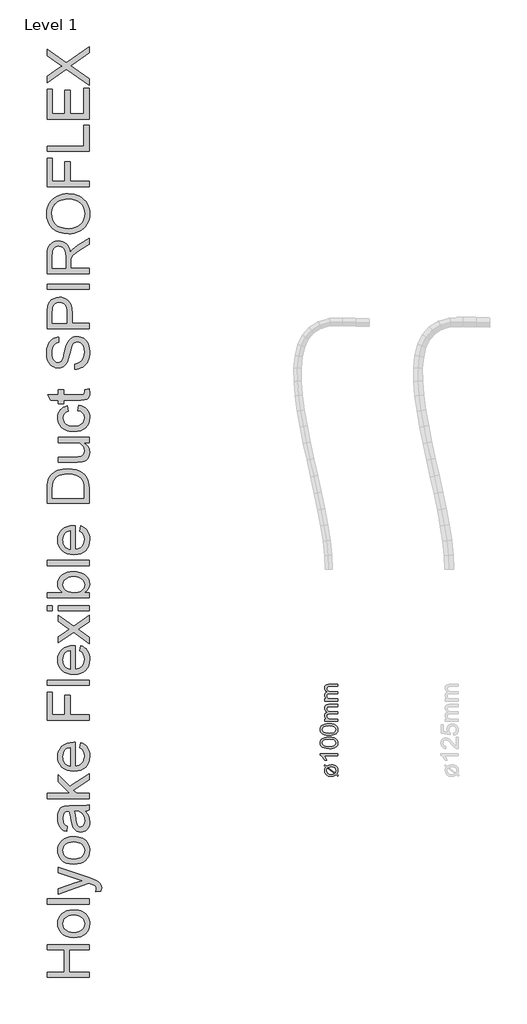
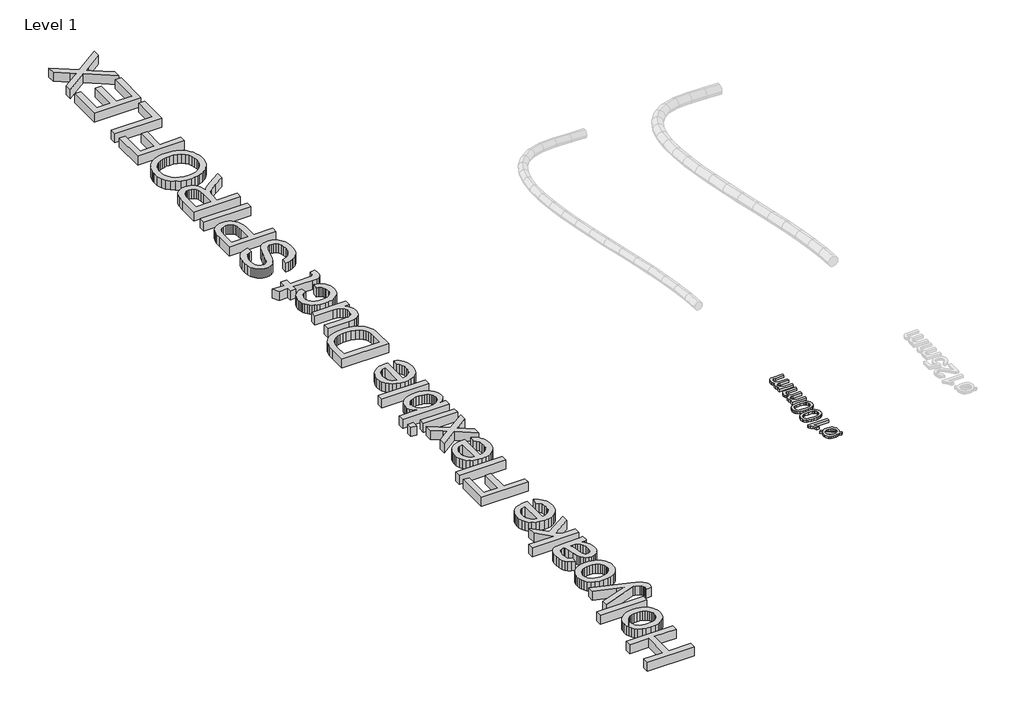
# One storey, part 13 of 15: 2 proxies.
"""IFC4 building model written with IfcOpenShell, lengths in millimetres."""

from ifc_helpers import new_model, si_unit, origin, origin_with_axes, place, context, project, spatial, polyline, outline, extrude, element, save

model = new_model("IFC4")

# Units and contexts
model_context = context("Model", 3, world=origin())
ifc_project = project(units=[si_unit("LENGTHUNIT", "METRE", prefix="MILLI")], contexts=[model_context])

# Site, building, storey
site = spatial("IfcSite", under=ifc_project)
building = spatial("IfcBuilding", under=site)
storey = spatial("IfcBuildingStorey", under=building, Name="Level 1", Elevation=0.0)

# Proxies
placement = place(None, origin())
element("IfcBuildingElementProxy", 1, Name="250mm", ObjectType="250mm", at=placement, inside=storey, context=model_context, shape_type="SweptSolid", body=[
    extrude(outline(polyline([(2243.3524153, 3032.5908228), (2219.0735691, 3050.9802459), (2230.2514537, 3065.6437074), (2255.6721268, 3046.3528421), (2281.934146, 3061.8576498), (2321.1168383, 3067.4465921), (2344.6595066, 3065.7000476), (2364.8668383, 3060.4604142), (2381.7388335, 3051.7276918), (2395.2754922, 3039.5018805), (2409.5182807, 3014.5169046), (2414.2658768, 2984.8744767), (2410.2244105, 2960.1298853), (2398.1000114, 2938.4201498), (2421.9581845, 2920.3312074), (2411.0206845, 2905.4273613), (2388.2442422, 2922.7350536), (2365.0471268, 2908.7326498), (2345.2454441, 2903.7296449), (2322.9798191, 2902.0619767), (2299.093476, 2903.5794046), (2278.7565619, 2908.1316882), (2261.9690769, 2915.7188276), (2248.731021, 2926.3408228), (2231.536009, 2952.7380584), (2225.8043383, 2983.3720728), (2230.0411172, 3008.3119767), (2243.3524153, 3032.5908228)]), holes=[polyline([(2265.2274153, 3016.0042844), (2258.7370307, 3000.619669), (2256.5735691, 2984.5138998), (2260.7277158, 2964.306568), (2273.1901557, 2947.6749574), (2293.8707446, 2936.5421449), (2322.6793383, 2932.8312074), (2345.0952037, 2934.9796449), (2363.544723, 2941.4249574), (2265.2274153, 3016.0042844)]), polyline([(2280.6120307, 3027.4826498), (2378.388473, 2953.3239959), (2383.496646, 2982.8913036), (2379.4326436, 3004.2254382), (2367.2406364, 3021.4730344), (2346.9356484, 3032.8762796), (2318.5327037, 3036.6773613), (2297.3187614, 3034.3336113), (2280.6120307, 3027.4826498)])]), origin_with_axes(), (0.0, 0.0, 1.0), 30.0),
    extrude(outline(polyline([(2410.419723, 3221.2927459), (2410.419723, 3190.5235151), (2218.5927999, 3190.5235151), (2239.356021, 3161.3768805), (2254.8908768, 3128.9850536), (2225.8043383, 3128.9850536), (2212.6583047, 3153.1512195), (2197.0182807, 3174.0872171), (2180.3866701, 3190.5911233), (2164.2658768, 3201.4610151), (2164.2658768, 3221.2927459), (2410.419723, 3221.2927459)])), origin_with_axes(), (0.0, 0.0, 1.0), 30.0),
    extrude(outline(polyline([(2289.325973, 3294.369669), (2249.9254321, 3296.6307868), (2218.5026557, 3303.4141401), (2194.5768744, 3314.6521209), (2177.6673191, 3330.2771209), (2167.6162374, 3350.4018204), (2164.2658768, 3375.1388998), (2166.2490499, 3394.0992363), (2172.1985691, 3411.0763998), (2181.8815619, 3425.2741161), (2195.0651557, 3435.8961113), (2231.4834249, 3450.3191882), (2256.6862494, 3454.5108949), (2289.325973, 3455.9081305), (2328.5011533, 3453.6695488), (2359.8488095, 3446.9538036), (2383.7971268, 3435.783431), (2400.7742903, 3420.1809671), (2410.8929802, 3400.0111954), (2414.2658768, 3375.1388998), (2412.8010331, 3358.1917844), (2408.4065018, 3343.1677459), (2401.0822831, 3330.0667844), (2390.8283768, 3318.8888998), (2372.2924694, 3308.1617363), (2349.1967662, 3300.4994767), (2321.5412674, 3295.9021209), (2289.325973, 3294.369669)]), holes=[polyline([(2289.2658768, 3325.1388998), (2337.6658167, 3328.744669), (2354.2204291, 3333.2518805), (2365.6781364, 3339.5619767), (2379.0420186, 3355.6677459), (2383.496646, 3375.1388998), (2379.0269946, 3394.6100536), (2365.6180403, 3410.7158228), (2354.1415529, 3417.025919), (2337.5906965, 3421.5331305), (2289.2658768, 3425.1388998), (2241.9551797, 3421.6533228), (2225.4550295, 3417.2963517), (2213.7250114, 3411.1965921), (2199.7075835, 3395.1208709), (2195.0351076, 3374.7783228), (2199.1516941, 3355.5175055), (2211.5014537, 3340.0427459), (2224.2718864, 3333.5223132), (2241.4894345, 3328.8648613), (2289.2658768, 3325.1388998)])]), origin_with_axes(), (0.0, 0.0, 1.0), 30.0),
    extrude(outline(polyline([(2289.325973, 3482.8312074), (2249.9254321, 3485.0923252), (2218.5026557, 3491.8756786), (2194.5768744, 3503.1136594), (2177.6673191, 3518.7386594), (2167.6162374, 3538.8633589), (2164.2658768, 3563.6004382), (2166.2490499, 3582.5607748), (2172.1985691, 3599.5379382), (2181.8815619, 3613.7356546), (2195.0651557, 3624.3576498), (2231.4834249, 3638.7807267), (2256.6862494, 3642.9724334), (2289.325973, 3644.369669), (2328.5011533, 3642.1310873), (2359.8488095, 3635.4153421), (2383.7971268, 3624.2449695), (2400.7742903, 3608.6425055), (2410.8929802, 3588.4727339), (2414.2658768, 3563.6004382), (2412.8010331, 3546.6533228), (2408.4065018, 3531.6292844), (2401.0822831, 3518.5283228), (2390.8283768, 3507.3504382), (2372.2924694, 3496.6232748), (2349.1967662, 3488.9610151), (2321.5412674, 3484.3636594), (2289.325973, 3482.8312074)]), holes=[polyline([(2289.2658768, 3513.6004382), (2337.6658167, 3517.2062074), (2354.2204291, 3521.713419), (2365.6781364, 3528.0235151), (2379.0420186, 3544.1292844), (2383.496646, 3563.6004382), (2379.0269946, 3583.0715921), (2365.6180403, 3599.1773613), (2354.1415529, 3605.4874574), (2337.5906965, 3609.994669), (2289.2658768, 3613.6004382), (2241.9551797, 3610.1148613), (2225.4550295, 3605.7578901), (2213.7250114, 3599.6581305), (2199.7075835, 3583.5824094), (2195.0351076, 3563.2398613), (2199.1516941, 3543.979044), (2211.5014537, 3528.5042844), (2224.2718864, 3521.9838517), (2241.4894345, 3517.3263998), (2289.2658768, 3513.6004382)])]), origin_with_axes(), (0.0, 0.0, 1.0), 30.0),
    extrude(outline(polyline([(2410.419723, 3678.9850536), (2229.6504922, 3678.9850536), (2229.6504922, 3709.7542844), (2259.3980883, 3709.7542844), (2245.7337254, 3719.0090921), (2235.029098, 3730.9081305), (2228.1105283, 3745.0457507), (2225.8043383, 3761.0163036), (2228.1556004, 3778.1286834), (2235.2093864, 3791.8456305), (2246.4999513, 3802.0920248), (2261.5615499, 3808.7927459), (2245.9177698, 3820.0081906), (2234.7436412, 3832.8011594), (2228.0391641, 3847.1716522), (2225.8043383, 3863.119669), (2229.5227879, 3886.2491762), (2240.6781364, 3903.354044), (2259.5708648, 3913.923455), (2286.5014537, 3917.4465921), (2410.419723, 3917.4465921), (2410.419723, 3886.6773613), (2299.7226076, 3886.6773613), (2274.0315018, 3883.822794), (2261.3812614, 3873.4862555), (2256.5735691, 3855.9081305), (2259.653497, 3839.2389599), (2268.8932807, 3825.6497171), (2284.9239297, 3816.6127579), (2308.3764537, 3813.6004382), (2410.419723, 3813.6004382), (2410.419723, 3782.8312074), (2296.2971268, 3782.8312074), (2278.8992903, 3781.0508589), (2266.4894345, 3775.7098132), (2259.0525355, 3766.3122772), (2256.5735691, 3752.3624574), (2258.2262133, 3740.5084911), (2263.184146, 3729.5860151), (2271.3271749, 3720.5715921), (2282.5351076, 3714.4417844), (2319.2538576, 3709.7542844), (2410.419723, 3709.7542844), (2410.419723, 3678.9850536)])), origin_with_axes(), (0.0, 0.0, 1.0), 30.0),
    extrude(outline(polyline([(2410.419723, 3963.6004382), (2229.6504922, 3963.6004382), (2229.6504922, 3994.369669), (2259.3980883, 3994.369669), (2245.7337254, 4003.6244767), (2235.029098, 4015.5235151), (2228.1105283, 4029.6611353), (2225.8043383, 4045.6316882), (2228.1556004, 4062.744068), (2235.2093864, 4076.4610151), (2246.4999513, 4086.7074094), (2261.5615499, 4093.4081305), (2245.9177698, 4104.6235752), (2234.7436412, 4117.416544), (2228.0391641, 4131.7870368), (2225.8043383, 4147.7350536), (2229.5227879, 4170.8645608), (2240.6781364, 4187.9694286), (2259.5708648, 4198.5388397), (2286.5014537, 4202.0619767), (2410.419723, 4202.0619767), (2410.419723, 4171.2927459), (2299.7226076, 4171.2927459), (2274.0315018, 4168.4381786), (2261.3812614, 4158.1016401), (2256.5735691, 4140.5235151), (2259.653497, 4123.8543445), (2268.8932807, 4110.2651017), (2284.9239297, 4101.2281425), (2308.3764537, 4098.2158228), (2410.419723, 4098.2158228), (2410.419723, 4067.4465921), (2296.2971268, 4067.4465921), (2278.8992903, 4065.6662435), (2266.4894345, 4060.3251978), (2259.0525355, 4050.9276618), (2256.5735691, 4036.9778421), (2258.2262133, 4025.1238757), (2263.184146, 4014.2013998), (2271.3271749, 4005.1869767), (2282.5351076, 3999.057169), (2319.2538576, 3994.369669), (2410.419723, 3994.369669), (2410.419723, 3963.6004382)])), origin_with_axes(), (0.0, 0.0, 1.0), 30.0),
])
element("IfcBuildingElementProxy", 2, Name="600mm", ObjectType="600mm", at=placement, inside=storey, context=model_context, shape_type="SweptSolid", body=[
    extrude(outline(polyline([(-1094.1692416, 67.8141205), (-1684.9384723, 67.8141205), (-1684.9384723, 141.6602743), (-1444.9384723, 141.6602743), (-1444.9384723, 455.5064282), (-1684.9384723, 455.5064282), (-1684.9384723, 529.352582), (-1094.1692416, 529.352582), (-1094.1692416, 455.5064282), (-1371.0923185, 455.5064282), (-1371.0923185, 141.6602743), (-1094.1692416, 141.6602743), (-1094.1692416, 67.8141205)])), origin_with_axes(), (0.0, 0.0, 1.0), 120.0),
    extrude(outline(polyline([(-1311.0923185, 630.8910436), (-1367.2792175, 634.884433), (-1415.6956839, 646.8646013), (-1456.3417175, 666.8315484), (-1489.2173185, 694.7852743), (-1510.2299387, 722.9283032), (-1525.2389531, 753.9920051), (-1534.2443618, 787.9763801), (-1537.2461646, 824.8814282), (-1533.5908161, 865.6221133), (-1522.6247704, 902.4595532), (-1504.3480276, 935.3937479), (-1478.7605877, 964.4246974), (-1446.7278353, 988.1191085), (-1409.115155, 1005.0436878), (-1365.9225469, 1015.1984354), (-1317.1500108, 1018.5833513), (-1277.6217656, 1017.086957), (-1242.5466454, 1012.5977743), (-1211.9246502, 1005.1158032), (-1185.75578, 994.6410436), (-1163.1521142, 981.3042046), (-1143.2257319, 965.2359955), (-1125.9766334, 946.4364162), (-1111.4048185, 924.9054666), (-1099.825792, 901.4814883), (-1091.5550589, 877.0028224), (-1086.592619, 851.469469), (-1084.9384723, 824.8814282), (-1088.5802993, 783.5457912), (-1099.50578, 746.3658032), (-1117.7149146, 713.3414642), (-1143.2077031, 684.4727743), (-1175.5514531, 661.0307671), (-1214.3134723, 644.2864763), (-1259.4937608, 634.2399017), (-1311.0923185, 630.8910436)]), holes=[polyline([(-1311.2365493, 704.7371974), (-1275.4177392, 706.8736157), (-1244.4036166, 713.2828705), (-1218.1941815, 723.9649618), (-1196.7894339, 738.9198897), (-1180.1623305, 757.1109955), (-1168.2858281, 777.5016205), (-1161.1599267, 800.0917647), (-1158.7846262, 824.8814282), (-1161.1734483, 849.5448897), (-1168.3399146, 872.0448897), (-1180.2840252, 892.3814282), (-1197.00578, 910.5545051), (-1218.6223666, 925.509433), (-1245.2509723, 936.1915243), (-1276.8915973, 942.6007791), (-1313.5442416, 944.7371974), (-1348.2272344, 942.5872575), (-1378.4300589, 936.1374378), (-1404.1527151, 925.3877383), (-1425.3952031, 910.3381589), (-1442.0223065, 892.0974739), (-1453.8988089, 871.774457), (-1461.0247103, 849.3691085), (-1463.4000108, 824.8814282), (-1461.0337247, 800.0917647), (-1453.9348666, 777.5016205), (-1442.1034363, 757.1109955), (-1425.5394339, 738.9198897), (-1404.1977872, 723.9649618), (-1378.0334243, 713.2828705), (-1347.0463449, 706.8736157), (-1311.2365493, 704.7371974)])]), origin_with_axes(), (0.0, 0.0, 1.0), 120.0),
    extrude(outline(polyline([(-1094.1692416, 1101.6602743), (-1684.9384723, 1101.6602743), (-1684.9384723, 1175.5064282), (-1094.1692416, 1175.5064282), (-1094.1692416, 1101.6602743)])), origin_with_axes(), (0.0, 0.0, 1.0), 120.0),
    extrude(outline(polyline([(-928.0153954, 1286.2756589), (-999.1211646, 1277.0448897), (-992.63078, 1314.5448897), (-994.6680396, 1334.2684474), (-1000.7798185, 1349.5929666), (-1010.5334243, 1361.5280628), (-1023.4961646, 1371.0833513), (-1077.8711646, 1391.2756589), (-1095.75578, 1397.0448897), (-1528.0153954, 1240.1218128), (-1528.0153954, 1318.0064282), (-1287.1500108, 1401.227582), (-1190.8038569, 1430.2179666), (-1275.9000108, 1459.2083513), (-1528.0153954, 1544.7371974), (-1528.0153954, 1622.0448897), (-1083.7846262, 1471.0352743), (-987.4384723, 1431.8045051), (-956.6812608, 1411.7203705), (-935.3711646, 1388.9679666), (-922.9312608, 1362.5376782), (-918.7846262, 1331.4198897), (-921.0923185, 1310.0376782), (-928.0153954, 1286.2756589)])), origin_with_axes(), (0.0, 0.0, 1.0), 120.0),
    extrude(outline(polyline([(-1311.0923185, 1664.7371974), (-1367.2792175, 1668.7305868), (-1415.6956839, 1680.7107551), (-1456.3417175, 1700.6777022), (-1489.2173185, 1728.6314282), (-1510.2299387, 1756.774457), (-1525.2389531, 1787.8381589), (-1534.2443618, 1821.8225339), (-1537.2461646, 1858.727582), (-1533.5908161, 1899.4682671), (-1522.6247704, 1936.305707), (-1504.3480276, 1969.2399017), (-1478.7605877, 1998.2708513), (-1446.7278353, 2021.9652623), (-1409.115155, 2038.8898416), (-1365.9225469, 2049.0445892), (-1317.1500108, 2052.4295051), (-1277.6217656, 2050.9331109), (-1242.5466454, 2046.4439282), (-1211.9246502, 2038.961957), (-1185.75578, 2028.4871974), (-1163.1521142, 2015.1503585), (-1143.2257319, 1999.0821493), (-1125.9766334, 1980.28257), (-1111.4048185, 1958.7516205), (-1099.825792, 1935.3276421), (-1091.5550589, 1910.8489763), (-1086.592619, 1885.3156229), (-1084.9384723, 1858.727582), (-1088.5802993, 1817.391945), (-1099.50578, 1780.211957), (-1117.7149146, 1747.1876181), (-1143.2077031, 1718.3189282), (-1175.5514531, 1694.876921), (-1214.3134723, 1678.1326301), (-1259.4937608, 1668.0860556), (-1311.0923185, 1664.7371974)]), holes=[polyline([(-1311.2365493, 1738.5833513), (-1275.4177392, 1740.7197695), (-1244.4036166, 1747.1290243), (-1218.1941815, 1757.8111157), (-1196.7894339, 1772.7660436), (-1180.1623305, 1790.9571493), (-1168.2858281, 1811.3477743), (-1161.1599267, 1833.9379186), (-1158.7846262, 1858.727582), (-1161.1734483, 1883.3910436), (-1168.3399146, 1905.8910436), (-1180.2840252, 1926.227582), (-1197.00578, 1944.4006589), (-1218.6223666, 1959.3555868), (-1245.2509723, 1970.0376782), (-1276.8915973, 1976.446933), (-1313.5442416, 1978.5833513), (-1348.2272344, 1976.4334114), (-1378.4300589, 1969.9835916), (-1404.1527151, 1959.2338921), (-1425.3952031, 1944.1843128), (-1442.0223065, 1925.9436277), (-1453.8988089, 1905.6206109), (-1461.0247103, 1883.2152623), (-1463.4000108, 1858.727582), (-1461.0337247, 1833.9379186), (-1453.9348666, 1811.3477743), (-1442.1034363, 1790.9571493), (-1425.5394339, 1772.7660436), (-1404.1977872, 1757.8111157), (-1378.0334243, 1747.1290243), (-1347.0463449, 1740.7197695), (-1311.2365493, 1738.5833513)])]), origin_with_axes(), (0.0, 0.0, 1.0), 120.0),
    extrude(outline(polyline([(-1149.5538569, 2412.4295051), (-1119.3014531, 2377.1470532), (-1099.50578, 2340.8189282), (-1088.5802993, 2302.6158032), (-1084.9384723, 2261.7083513), (-1087.1289771, 2228.8282431), (-1093.7004916, 2199.9956109), (-1104.6530156, 2175.2104546), (-1119.9865493, 2154.4727743), (-1138.7275348, 2138.0980748), (-1159.9024146, 2126.4018609), (-1183.5111887, 2119.3841325), (-1209.5538569, 2117.0448897), (-1240.1668377, 2120.5785436), (-1267.9673185, 2131.1795051), (-1291.7653954, 2147.5316686), (-1310.3711646, 2168.3189282), (-1324.4336646, 2192.7480147), (-1334.6019339, 2220.0256589), (-1345.7077031, 2283.9198897), (-1357.3903954, 2359.4246974), (-1371.0923185, 2411.9968128), (-1387.5346262, 2412.4295051), (-1420.4913569, 2407.3453705), (-1432.6968858, 2400.9902022), (-1442.0538569, 2392.0929666), (-1451.3927993, 2376.7143609), (-1458.0634723, 2357.9823897), (-1463.4000108, 2310.4583513), (-1459.8483281, 2266.4679666), (-1449.19328, 2235.7468128), (-1429.4877512, 2214.7972936), (-1398.7846262, 2200.1218128), (-1408.0153954, 2126.2756589), (-1448.4000108, 2139.0941686), (-1480.13078, 2158.2227743), (-1504.3976069, 2185.446332), (-1522.3903954, 2222.5496974), (-1533.5322223, 2267.9283032), (-1537.2461646, 2319.977582), (-1533.9649146, 2369.899457), (-1524.1211646, 2409.4727743), (-1509.3194819, 2439.3105147), (-1491.1644339, 2460.0256589), (-1468.7185204, 2473.7636397), (-1441.0442416, 2482.6698897), (-1376.4288569, 2486.2756589), (-1284.5538569, 2486.2756589), (-1156.2605877, 2490.0256589), (-1124.5478473, 2495.5785436), (-1094.1692416, 2504.7371974), (-1094.1692416, 2430.8910436), (-1119.8423185, 2419.0641205), (-1149.5538569, 2412.4295051)]), holes=[polyline([(-1297.2461646, 2412.4295051), (-1284.9504916, 2362.8141205), (-1274.6019339, 2293.2948897), (-1262.63078, 2229.7612359), (-1254.4456839, 2213.2287839), (-1243.1596262, 2200.9871974), (-1229.6379916, 2193.415082), (-1214.7461646, 2190.8910436), (-1192.78703, 2196.3898416), (-1174.7942416, 2212.8862359), (-1162.78703, 2240.0196493), (-1158.7846262, 2277.4295051), (-1163.2016935, 2317.0929666), (-1176.4528954, 2352.1410436), (-1195.9781358, 2380.5545051), (-1219.2173185, 2400.3141205), (-1243.1596262, 2409.0761397), (-1276.3327031, 2411.9968128), (-1297.2461646, 2412.4295051)])]), origin_with_axes(), (0.0, 0.0, 1.0), 120.0),
    extrude(outline(polyline([(-1094.1692416, 2587.8141205), (-1684.9384723, 2587.8141205), (-1684.9384723, 2661.6602743), (-1367.4865493, 2661.6602743), (-1528.0153954, 2827.2371974), (-1528.0153954, 2929.352582), (-1365.4673185, 2761.7564282), (-1094.1692416, 2938.5833513), (-1094.1692416, 2852.3333513), (-1314.1211646, 2708.8237359), (-1268.4000108, 2661.6602743), (-1094.1692416, 2661.6602743), (-1094.1692416, 2587.8141205)])), origin_with_axes(), (0.0, 0.0, 1.0), 120.0),
    extrude(outline(polyline([(-1223.4000108, 3306.9487359), (-1214.1692416, 3379.352582), (-1185.1698425, 3368.25132), (-1159.6139531, 3353.2648416), (-1137.5015733, 3334.3931469), (-1118.8327031, 3311.6362359), (-1104.0039771, 3285.2284835), (-1093.41203, 3255.4042647), (-1087.0568618, 3222.1635796), (-1084.9384723, 3185.5064282), (-1088.5938209, 3139.6861157), (-1099.5598666, 3098.8597936), (-1117.8366094, 3063.0274618), (-1143.4240493, 3032.1891205), (-1175.6100469, 3007.3904426), (-1213.6824627, 2989.6771013), (-1257.6412969, 2979.0490964), (-1307.4865493, 2975.5064282), (-1359.022006, 2979.0851541), (-1404.4456839, 2989.821332), (-1443.7575829, 3007.7149618), (-1476.9577031, 3032.7660436), (-1503.333905, 3063.5232551), (-1522.1740493, 3098.5352743), (-1533.4781358, 3137.8021013), (-1537.2461646, 3181.3237359), (-1533.4871502, 3223.4436277), (-1522.2101069, 3261.5340724), (-1503.4150348, 3295.59507), (-1477.1019339, 3325.6266205), (-1443.9739291, 3350.141344), (-1404.7341454, 3367.6518609), (-1359.3825829, 3378.158171), (-1307.9192416, 3381.6602743), (-1288.0153954, 3381.227582), (-1288.0153954, 3049.352582), (-1258.5472464, 3053.6299258), (-1232.7389531, 3062.1350339), (-1210.5905156, 3074.8679065), (-1192.1019339, 3091.8285436), (-1177.5256118, 3112.079445), (-1167.1139531, 3134.6831109), (-1160.8669579, 3159.6395412), (-1158.7846262, 3186.9487359), (-1162.6427993, 3226.2516205), (-1174.2173185, 3259.352582), (-1194.2293377, 3286.2516205), (-1223.4000108, 3306.9487359)]), holes=[polyline([(-1361.8615493, 3049.352582), (-1361.8615493, 3307.8141205), (-1400.8759723, 3297.8261397), (-1416.2185204, 3289.2353945), (-1428.7846262, 3278.2468128), (-1443.9288569, 3258.1085916), (-1454.7461646, 3235.1939282), (-1461.2365493, 3209.5028224), (-1463.4000108, 3181.0352743), (-1461.6737488, 3155.0692287), (-1456.4949627, 3131.2576301), (-1447.8636526, 3109.6004787), (-1435.7798185, 3090.0977743), (-1420.8023545, 3073.7320892), (-1403.490155, 3061.4859955), (-1383.8432199, 3053.3594931), (-1361.8615493, 3049.352582)])]), origin_with_axes(), (0.0, 0.0, 1.0), 120.0),
    extrude(outline(polyline([(-1094.1692416, 3695.5064282), (-1684.9384723, 3695.5064282), (-1684.9384723, 4092.4295051), (-1611.0923185, 4092.4295051), (-1611.0923185, 3769.352582), (-1435.7077031, 3769.352582), (-1435.7077031, 4046.2756589), (-1361.8615493, 4046.2756589), (-1361.8615493, 3769.352582), (-1094.1692416, 3769.352582), (-1094.1692416, 3695.5064282)])), origin_with_axes(), (0.0, 0.0, 1.0), 120.0),
    extrude(outline(polyline([(-1094.1692416, 4184.7371974), (-1684.9384723, 4184.7371974), (-1684.9384723, 4258.5833513), (-1094.1692416, 4258.5833513), (-1094.1692416, 4184.7371974)])), origin_with_axes(), (0.0, 0.0, 1.0), 120.0),
    extrude(outline(polyline([(-1223.4000108, 4673.102582), (-1214.1692416, 4745.5064282), (-1185.1698425, 4734.4051662), (-1159.6139531, 4719.4186878), (-1137.5015733, 4700.5469931), (-1118.8327031, 4677.790082), (-1104.0039771, 4651.3823296), (-1093.41203, 4621.5581109), (-1087.0568618, 4588.3174258), (-1084.9384723, 4551.6602743), (-1088.5938209, 4505.8399618), (-1099.5598666, 4465.0136397), (-1117.8366094, 4429.181308), (-1143.4240493, 4398.3429666), (-1175.6100469, 4373.5442888), (-1213.6824627, 4355.8309474), (-1257.6412969, 4345.2029426), (-1307.4865493, 4341.6602743), (-1359.022006, 4345.2390003), (-1404.4456839, 4355.9751782), (-1443.7575829, 4373.868808), (-1476.9577031, 4398.9198897), (-1503.333905, 4429.6771013), (-1522.1740493, 4464.6891205), (-1533.4781358, 4503.9559474), (-1537.2461646, 4547.477582), (-1533.4871502, 4589.5974739), (-1522.2101069, 4627.6879186), (-1503.4150348, 4661.7489162), (-1477.1019339, 4691.7804666), (-1443.9739291, 4716.2951902), (-1404.7341454, 4733.805707), (-1359.3825829, 4744.3120171), (-1307.9192416, 4747.8141205), (-1288.0153954, 4747.3814282), (-1288.0153954, 4415.5064282), (-1258.5472464, 4419.7837719), (-1232.7389531, 4428.2888801), (-1210.5905156, 4441.0217527), (-1192.1019339, 4457.9823897), (-1177.5256118, 4478.2332912), (-1167.1139531, 4500.836957), (-1160.8669579, 4525.7933873), (-1158.7846262, 4553.102582), (-1162.6427993, 4592.4054666), (-1174.2173185, 4625.5064282), (-1194.2293377, 4652.4054666), (-1223.4000108, 4673.102582)]), holes=[polyline([(-1361.8615493, 4415.5064282), (-1361.8615493, 4673.9679666), (-1400.8759723, 4663.9799859), (-1416.2185204, 4655.3892407), (-1428.7846262, 4644.4006589), (-1443.9288569, 4624.2624378), (-1454.7461646, 4601.3477743), (-1461.2365493, 4575.6566686), (-1463.4000108, 4547.1891205), (-1461.6737488, 4521.2230748), (-1456.4949627, 4497.4114763), (-1447.8636526, 4475.7543248), (-1435.7798185, 4456.2516205), (-1420.8023545, 4439.8859354), (-1403.490155, 4427.6398416), (-1383.8432199, 4419.5133392), (-1361.8615493, 4415.5064282)])]), origin_with_axes(), (0.0, 0.0, 1.0), 120.0),
    extrude(outline(polyline([(-1094.1692416, 4775.5064282), (-1312.2461646, 4933.2948897), (-1528.0153954, 4784.7371974), (-1528.0153954, 4873.5833513), (-1424.1692416, 4945.2660436), (-1375.13078, 4978.727582), (-1415.2269339, 5007.7179666), (-1528.0153954, 5089.352582), (-1528.0153954, 5178.1987359), (-1312.2461646, 5022.1410436), (-1094.1692416, 5172.4295051), (-1094.1692416, 5083.5833513), (-1225.2750108, 4993.1506589), (-1249.2173185, 4976.5641205), (-1094.1692416, 4864.352582), (-1094.1692416, 4775.5064282)])), origin_with_axes(), (0.0, 0.0, 1.0), 120.0),
    extrude(outline(polyline([(-1094.1692416, 5237.0448897), (-1528.0153954, 5237.0448897), (-1528.0153954, 5310.8910436), (-1094.1692416, 5310.8910436), (-1094.1692416, 5237.0448897)])), origin_with_axes(), (0.0, 0.0, 1.0), 120.0),
    extrude(outline(polyline([(-1611.0923185, 5237.0448897), (-1684.9384723, 5237.0448897), (-1684.9384723, 5310.8910436), (-1611.0923185, 5310.8910436), (-1611.0923185, 5237.0448897)])), origin_with_axes(), (0.0, 0.0, 1.0), 120.0),
    extrude(outline(polyline([(-1094.1692416, 5495.5064282), (-1094.1692416, 5421.6602743), (-1684.9384723, 5421.6602743), (-1684.9384723, 5495.5064282), (-1465.8519339, 5495.5064282), (-1497.0869098, 5519.7912839), (-1519.3976069, 5547.2131589), (-1532.7840252, 5577.7720532), (-1537.2461646, 5611.4679666), (-1533.2257319, 5649.508832), (-1521.1644339, 5685.4583513), (-1501.8194819, 5717.2612359), (-1475.9480877, 5742.8621974), (-1443.802655, 5762.9283032), (-1405.6355877, 5778.1266205), (-1363.0334243, 5787.6999378), (-1317.5827031, 5790.8910436), (-1265.1367896, 5787.5872575), (-1219.0009723, 5777.6758993), (-1179.1752512, 5761.156969), (-1145.6596262, 5738.0304666), (-1119.0941214, 5710.2705508), (-1100.1187608, 5679.8513801), (-1088.7335444, 5646.7729546), (-1084.9384723, 5611.0352743), (-1089.8333041, 5576.2305868), (-1104.5177993, 5545.3742166), (-1128.9919579, 5518.4661638), (-1163.25578, 5495.5064282), (-1094.1692416, 5495.5064282)]), holes=[polyline([(-1314.1211646, 5495.5064282), (-1252.5346262, 5500.5545051), (-1229.2052993, 5506.8646013), (-1210.8519339, 5515.6987359), (-1188.0724868, 5533.5923657), (-1171.8014531, 5554.3886397), (-1162.0388329, 5578.087558), (-1158.7846262, 5604.6891205), (-1161.1824627, 5626.774457), (-1168.3759723, 5647.3093128), (-1180.365155, 5666.2936878), (-1197.1500108, 5683.727582), (-1218.6854675, 5698.3039041), (-1244.9264531, 5708.7155628), (-1275.8729675, 5714.962558), (-1311.5250108, 5717.0448897), (-1347.8531358, 5715.048195), (-1379.0971262, 5709.0581109), (-1405.2569819, 5699.0746373), (-1426.3327031, 5685.0977743), (-1442.5496502, 5668.2903825), (-1454.1331839, 5649.8153224), (-1461.0833041, 5629.672594), (-1463.4000108, 5607.8621974), (-1461.0021743, 5585.7768609), (-1453.8086646, 5565.2420051), (-1441.8194819, 5546.2576301), (-1425.0346262, 5528.8237359), (-1403.7155156, 5514.2474138), (-1378.1235685, 5503.8357551), (-1348.2587848, 5497.5887599), (-1314.1211646, 5495.5064282)])]), origin_with_axes(), (0.0, 0.0, 1.0), 120.0),
    extrude(outline(polyline([(-1094.1692416, 5873.9679666), (-1684.9384723, 5873.9679666), (-1684.9384723, 5947.8141205), (-1094.1692416, 5947.8141205), (-1094.1692416, 5873.9679666)])), origin_with_axes(), (0.0, 0.0, 1.0), 120.0),
    extrude(outline(polyline([(-1223.4000108, 6362.3333513), (-1214.1692416, 6434.7371974), (-1185.1698425, 6423.6359354), (-1159.6139531, 6408.649457), (-1137.5015733, 6389.7777623), (-1118.8327031, 6367.0208513), (-1104.0039771, 6340.6130989), (-1093.41203, 6310.7888801), (-1087.0568618, 6277.548195), (-1084.9384723, 6240.8910436), (-1088.5938209, 6195.0707311), (-1099.5598666, 6154.2444089), (-1117.8366094, 6118.4120772), (-1143.4240493, 6087.5737359), (-1175.6100469, 6062.775058), (-1213.6824627, 6045.0617166), (-1257.6412969, 6034.4337118), (-1307.4865493, 6030.8910436), (-1359.022006, 6034.4697695), (-1404.4456839, 6045.2059474), (-1443.7575829, 6063.0995772), (-1476.9577031, 6088.1506589), (-1503.333905, 6118.9078705), (-1522.1740493, 6153.9198897), (-1533.4781358, 6193.1867166), (-1537.2461646, 6236.7083513), (-1533.4871502, 6278.8282431), (-1522.2101069, 6316.9186878), (-1503.4150348, 6350.9796854), (-1477.1019339, 6381.0112359), (-1443.9739291, 6405.5259594), (-1404.7341454, 6423.0364763), (-1359.3825829, 6433.5427864), (-1307.9192416, 6437.0448897), (-1288.0153954, 6436.6121974), (-1288.0153954, 6104.7371974), (-1258.5472464, 6109.0145412), (-1232.7389531, 6117.5196493), (-1210.5905156, 6130.2525219), (-1192.1019339, 6147.2131589), (-1177.5256118, 6167.4640604), (-1167.1139531, 6190.0677263), (-1160.8669579, 6215.0241565), (-1158.7846262, 6242.3333513), (-1162.6427993, 6281.6362359), (-1174.2173185, 6314.7371974), (-1194.2293377, 6341.6362359), (-1223.4000108, 6362.3333513)]), holes=[polyline([(-1361.8615493, 6104.7371974), (-1361.8615493, 6363.1987359), (-1400.8759723, 6353.2107551), (-1416.2185204, 6344.6200099), (-1428.7846262, 6333.6314282), (-1443.9288569, 6313.493207), (-1454.7461646, 6290.5785436), (-1461.2365493, 6264.8874378), (-1463.4000108, 6236.4198897), (-1461.6737488, 6210.453844), (-1456.4949627, 6186.6422455), (-1447.8636526, 6164.985094), (-1435.7798185, 6145.4823897), (-1420.8023545, 6129.1167046), (-1403.490155, 6116.8706109), (-1383.8432199, 6108.7441085), (-1361.8615493, 6104.7371974)])]), origin_with_axes(), (0.0, 0.0, 1.0), 120.0),
    extrude(outline(polyline([(-1094.1692416, 6750.8910436), (-1684.9384723, 6750.8910436), (-1684.9384723, 6954.6891205), (-1682.8110685, 7015.5905628), (-1676.4288569, 7060.1218128), (-1660.0226069, 7107.2131589), (-1634.1692416, 7146.9487359), (-1613.0394339, 7168.8447695), (-1589.1692416, 7187.8021013), (-1562.5586646, 7203.8207311), (-1533.2077031, 7216.9006589), (-1501.3867896, 7227.0599138), (-1467.3663569, 7234.3165243), (-1392.7269339, 7240.1218128), (-1329.3194819, 7236.1915243), (-1273.5202031, 7224.4006589), (-1226.0141935, 7206.4439282), (-1187.4865493, 7184.0160436), (-1157.0718858, 7158.1987359), (-1133.9048185, 7130.0737359), (-1116.7233281, 7097.7840724), (-1104.2653954, 7059.4727743), (-1096.69328, 7015.0677263), (-1094.1692416, 6964.4968128), (-1094.1692416, 6750.8910436)]), holes=[polyline([(-1168.0153954, 6824.7371974), (-1168.0153954, 6955.4102743), (-1170.6836646, 7009.4607551), (-1178.6884723, 7050.4583513), (-1191.5610685, 7081.3958513), (-1208.8327031, 7105.2660436), (-1240.7978473, 7130.9210916), (-1282.1740493, 7150.1939282), (-1333.1415973, 7162.2552263), (-1393.88078, 7166.2756589), (-1436.7533762, 7164.3060075), (-1474.3615493, 7158.3970532), (-1506.7052993, 7148.548796), (-1533.7846262, 7134.7612359), (-1556.2125108, 7118.1521614), (-1574.6019339, 7099.8393609), (-1588.9528954, 7079.8228344), (-1599.2653954, 7058.102582), (-1608.1355877, 7015.6266205), (-1611.0923185, 6953.3910436), (-1611.0923185, 6824.7371974), (-1168.0153954, 6824.7371974)])]), origin_with_axes(), (0.0, 0.0, 1.0), 120.0),
    extrude(outline(polyline([(-1094.1692416, 7609.352582), (-1168.7365493, 7609.352582), (-1132.0748906, 7582.633832), (-1105.8879916, 7551.5160436), (-1090.1758521, 7515.9992166), (-1084.9384723, 7476.0833513), (-1088.6163569, 7440.1158032), (-1099.6500108, 7406.6362359), (-1116.2365493, 7378.5472936), (-1136.5730877, 7358.7516205), (-1161.2726069, 7345.4283032), (-1190.9480877, 7336.7564282), (-1259.6019339, 7332.4295051), (-1528.0153954, 7332.4295051), (-1528.0153954, 7406.2756589), (-1294.3615493, 7406.2756589), (-1247.63078, 7407.3934474), (-1219.0730877, 7410.7468128), (-1193.958905, 7421.5100339), (-1174.8663569, 7439.9535436), (-1162.8050589, 7464.8513801), (-1158.7846262, 7494.977582), (-1162.8952031, 7526.8345532), (-1175.2269339, 7556.6362359), (-1194.6440012, 7581.2095532), (-1220.0105877, 7597.3814282), (-1254.7521743, 7606.3597936), (-1302.2942416, 7609.352582), (-1528.0153954, 7609.352582), (-1528.0153954, 7683.1987359), (-1094.1692416, 7683.1987359), (-1094.1692416, 7609.352582)])), origin_with_axes(), (0.0, 0.0, 1.0), 120.0),
    extrude(outline(polyline([(-1251.0923185, 8061.6602743), (-1241.8615493, 8135.5064282), (-1207.0162969, 8127.4745772), (-1176.1824627, 8114.9174859), (-1149.3600469, 8097.8351541), (-1126.5490493, 8076.227582), (-1108.3444219, 8051.0052263), (-1095.3411166, 8023.0785436), (-1087.5391334, 7992.4475339), (-1084.9384723, 7959.1121974), (-1088.5667776, 7917.6954306), (-1099.4516935, 7880.5605147), (-1117.5932199, 7847.7074498), (-1142.9913569, 7819.1362359), (-1175.1683401, 7796.0097335), (-1213.646405, 7779.4908032), (-1258.4255517, 7769.579445), (-1309.50578, 7766.2756589), (-1375.2209243, 7771.9186878), (-1404.7927392, 7778.9724739), (-1432.1740493, 7788.8477743), (-1456.8149747, 7801.6121974), (-1478.1656358, 7817.3333513), (-1496.2260324, 7836.0112359), (-1510.9961646, 7857.6458513), (-1522.4805396, 7881.2591325), (-1530.6836646, 7905.8730147), (-1535.6055396, 7931.4874979), (-1537.2461646, 7958.102582), (-1534.9925589, 7990.8655027), (-1528.2317416, 8020.5004186), (-1516.9637127, 8047.0073296), (-1501.1884723, 8070.3862359), (-1481.2665973, 8090.2405027), (-1457.5586646, 8106.1734955), (-1430.0646743, 8118.1852142), (-1398.7846262, 8126.2756589), (-1389.5538569, 8052.4295051), (-1421.771405, 8039.0340724), (-1444.8663569, 8018.1746974), (-1458.7665973, 7991.0052263), (-1463.4000108, 7958.6795051), (-1461.1193618, 7933.5878585), (-1454.2774146, 7910.9571493), (-1442.8741694, 7890.7873777), (-1426.9096262, 7873.0785436), (-1406.0141935, 7858.6599739), (-1379.81828, 7848.3609955), (-1348.3218858, 7842.1816085), (-1311.5250108, 7840.1218128), (-1274.1737488, 7842.1365364), (-1242.3122704, 7848.180707), (-1215.9405757, 7858.2543248), (-1195.0586646, 7872.3573897), (-1179.1887728, 7889.7146614), (-1167.8531358, 7909.5508993), (-1161.0517536, 7931.8661037), (-1158.7846262, 7956.6602743), (-1164.4456839, 7994.899457), (-1171.522006, 8011.4364162), (-1181.4288569, 8026.2516205), (-1194.2744098, 8038.9304065), (-1210.1668377, 8049.0581109), (-1229.1061406, 8056.6347335), (-1251.0923185, 8061.6602743)])), origin_with_axes(), (0.0, 0.0, 1.0), 120.0),
    extrude(outline(polyline([(-1155.75578, 8357.0448897), (-1092.00578, 8366.2756589), (-1084.9384723, 8311.0352743), (-1088.0033762, 8275.5905628), (-1097.1980877, 8249.1602743), (-1111.3687608, 8230.4823897), (-1129.3615493, 8218.2948897), (-1160.2629916, 8211.5881589), (-1213.1596262, 8209.352582), (-1454.1692416, 8209.352582), (-1454.1692416, 8153.9679666), (-1528.0153954, 8153.9679666), (-1528.0153954, 8209.352582), (-1633.4480877, 8209.352582), (-1676.8615493, 8283.1987359), (-1528.0153954, 8283.1987359), (-1528.0153954, 8357.0448897), (-1454.1692416, 8357.0448897), (-1454.1692416, 8283.1987359), (-1215.3230877, 8283.1987359), (-1177.2461646, 8287.0929666), (-1163.7605877, 8299.7131589), (-1160.0286166, 8310.368207), (-1158.7846262, 8324.8814282), (-1155.75578, 8357.0448897)])), origin_with_axes(), (0.0, 0.0, 1.0), 120.0),
    extrude(outline(polyline([(-1297.2461646, 8643.1987359), (-1297.2461646, 8717.0448897), (-1256.2665973, 8725.5184474), (-1223.3278954, 8740.8429666), (-1197.1860685, 8764.7492166), (-1176.5971262, 8798.9679666), (-1163.2377512, 8840.7948897), (-1158.7846262, 8887.5256589), (-1162.1560204, 8928.6674859), (-1172.2702031, 8964.6891205), (-1188.2798185, 8993.8778224), (-1209.3375108, 9014.5208513), (-1233.5141935, 9026.7984955), (-1258.88078, 9030.8910436), (-1283.5983281, 9027.8261397), (-1304.9625108, 9018.6314282), (-1323.1896743, 8999.9535436), (-1338.4961646, 8968.4391205), (-1366.69328, 8860.915082), (-1385.3531358, 8790.3321493), (-1403.1115493, 8745.1698897), (-1427.9552993, 8708.4090724), (-1458.0634723, 8682.3573897), (-1492.78703, 8666.8345532), (-1531.4769339, 8661.6602743), (-1553.467619, 8663.2603344), (-1574.7281358, 8668.0605147), (-1595.2584844, 8676.0608152), (-1615.0586646, 8687.2612359), (-1633.3218858, 8701.5355748), (-1649.2413569, 8718.7576301), (-1662.8170781, 8738.9274017), (-1674.0490493, 8762.0448897), (-1689.1391935, 8814.0040243), (-1694.1692416, 8871.5160436), (-1688.9048185, 8933.8237359), (-1673.1115493, 8988.3429666), (-1661.3477271, 9012.1951301), (-1647.1139531, 9033.1266205), (-1630.4102271, 9051.1374378), (-1611.2365493, 9066.227582), (-1590.1518137, 9078.2798657), (-1567.7149146, 9087.1771013), (-1543.9258521, 9092.9192888), (-1518.7846262, 9095.5064282), (-1518.7846262, 9021.6602743), (-1542.3483281, 9016.7203705), (-1562.8471262, 9008.102582), (-1580.2810204, 8995.8069089), (-1594.6500108, 8979.8333513), (-1605.8819819, 8959.884433), (-1613.9048185, 8935.6626782), (-1618.7185204, 8907.1680868), (-1620.3230877, 8874.4006589), (-1618.7365493, 8840.587558), (-1613.9769339, 8811.696332), (-1606.0442416, 8787.7269811), (-1594.9384723, 8768.6795051), (-1581.5881118, 8754.1662839), (-1566.9216454, 8743.7996974), (-1550.9390733, 8737.5797455), (-1533.6403954, 8735.5064282), (-1505.2629916, 8741.383832), (-1482.4384723, 8759.0160436), (-1472.2882319, 8775.2059474), (-1462.0298185, 8800.6987359), (-1441.1884723, 8879.5929666), (-1421.3927993, 8961.0112359), (-1404.1211646, 9010.2660436), (-1377.3302993, 9052.3633993), (-1361.5821021, 9068.6389402), (-1344.2653954, 9081.7323897), (-1325.4703233, 9091.7969931), (-1305.28703, 9098.9859955), (-1260.75578, 9104.7371974), (-1237.6563209, 9103.0830508), (-1215.2329435, 9098.1206109), (-1193.4856478, 9089.8498777), (-1172.4144339, 9078.2708513), (-1152.8351069, 9063.5863561), (-1135.5634723, 9045.9992166), (-1120.59953, 9025.509433), (-1107.94328, 9002.1170051), (-1097.8786767, 8976.5025219), (-1090.6896743, 8949.3465724), (-1084.9384723, 8890.4102743), (-1086.4889531, 8852.6353344), (-1091.1403954, 8818.0605147), (-1098.8927993, 8786.6858152), (-1109.7461646, 8758.5112359), (-1123.7185204, 8733.3655027), (-1140.8278954, 8711.0773416), (-1161.0742896, 8691.6467527), (-1184.4577031, 8675.0737359), (-1210.2209243, 8661.7233753), (-1237.6067416, 8651.9607551), (-1266.615155, 8645.7858753), (-1297.2461646, 8643.1987359)])), origin_with_axes(), (0.0, 0.0, 1.0), 120.0),
    extrude(outline(polyline([(-1094.1692416, 9215.5064282), (-1684.9384723, 9215.5064282), (-1684.9384723, 9434.4487359), (-1683.5322223, 9485.4343128), (-1679.3134723, 9522.7179666), (-1668.802655, 9562.0749378), (-1651.69328, 9594.4727743), (-1627.2101069, 9620.5605147), (-1594.5778954, 9640.9871974), (-1556.0863089, 9654.1843128), (-1514.0250108, 9658.5833513), (-1477.7599868, 9655.6130989), (-1444.3976069, 9646.7023416), (-1413.9378714, 9631.8510796), (-1386.38078, 9611.0593128), (-1363.5382319, 9582.5151421), (-1347.2221262, 9544.4066686), (-1337.4324627, 9496.7338921), (-1334.1692416, 9439.4968128), (-1334.1692416, 9289.352582), (-1094.1692416, 9289.352582), (-1094.1692416, 9215.5064282)]), holes=[polyline([(-1408.0153954, 9289.352582), (-1408.0153954, 9443.8237359), (-1409.7101069, 9479.3405628), (-1414.7942416, 9509.3045051), (-1423.2677993, 9533.7155628), (-1435.13078, 9552.5737359), (-1450.0676791, 9566.6452503), (-1467.7629916, 9576.696332), (-1488.2167175, 9582.7269811), (-1511.4288569, 9584.7371974), (-1544.6019339, 9579.9956109), (-1572.5827031, 9565.7708513), (-1593.6403954, 9543.8297455), (-1606.0442416, 9515.9391205), (-1609.8302993, 9487.4535436), (-1611.0923185, 9442.0929666), (-1611.0923185, 9289.352582), (-1408.0153954, 9289.352582)])]), origin_with_axes(), (0.0, 0.0, 1.0), 120.0),
    extrude(outline(polyline([(-1094.1692416, 9769.352582), (-1684.9384723, 9769.352582), (-1684.9384723, 9843.1987359), (-1094.1692416, 9843.1987359), (-1094.1692416, 9769.352582)])), origin_with_axes(), (0.0, 0.0, 1.0), 120.0),
    extrude(outline(polyline([(-1094.1692416, 9990.8910436), (-1684.9384723, 9990.8910436), (-1684.9384723, 10245.4583513), (-1680.9540973, 10313.8778224), (-1669.0009723, 10363.6554666), (-1659.4997704, 10382.8652022), (-1646.9336646, 10400.0376782), (-1631.302655, 10415.1728945), (-1612.6067416, 10428.2708513), (-1591.8510324, 10438.8402623), (-1570.0406358, 10446.3898416), (-1523.25578, 10452.4295051), (-1492.9132319, 10449.9280027), (-1465.0586646, 10442.4234955), (-1439.6920781, 10429.9159835), (-1416.8134723, 10412.4054666), (-1397.1530156, 10389.6665844), (-1381.4408762, 10361.4739763), (-1369.6770541, 10327.8276421), (-1361.8615493, 10288.727582), (-1345.9601069, 10313.0665243), (-1330.2750108, 10330.6987359), (-1254.2653954, 10390.5545051), (-1094.1692416, 10489.0641205), (-1094.1692416, 10403.2468128), (-1216.6211646, 10326.3718128), (-1297.6788569, 10270.8429666), (-1321.3146743, 10250.1999378), (-1335.9721262, 10231.8285436), (-1350.0346262, 10196.7083513), (-1352.63078, 10153.8718128), (-1352.63078, 10064.7371974), (-1094.1692416, 10064.7371974), (-1094.1692416, 9990.8910436)]), holes=[polyline([(-1426.4769339, 10064.7371974), (-1426.4769339, 10230.0256589), (-1429.0911166, 10277.4956109), (-1436.9336646, 10314.3285436), (-1450.5274146, 10342.0569089), (-1470.3952031, 10362.2131589), (-1494.427655, 10374.4908032), (-1520.5153954, 10378.5833513), (-1539.4006118, 10376.6317287), (-1556.53703, 10370.7768609), (-1571.9246502, 10361.0187479), (-1585.5634723, 10347.3573897), (-1596.7323425, 10329.4772815), (-1604.7101069, 10307.0629186), (-1609.4967656, 10280.1143008), (-1611.0923185, 10248.6314282), (-1611.0923185, 10064.7371974), (-1426.4769339, 10064.7371974)])]), origin_with_axes(), (0.0, 0.0, 1.0), 120.0),
    extrude(outline(polyline([(-1381.7653954, 10553.9679666), (-1451.0592656, 10558.8898416), (-1512.4024146, 10573.6554666), (-1565.7948425, 10598.2648416), (-1611.2365493, 10632.7179666), (-1647.5196021, 10674.9505388), (-1673.4360685, 10722.8982551), (-1688.9859483, 10776.5611157), (-1694.1692416, 10835.9391205), (-1691.7353473, 10875.6837118), (-1684.4336646, 10913.4271013), (-1672.2641935, 10949.1692888), (-1655.2269339, 10982.9102743), (-1633.8357079, 11013.7035436), (-1608.6043377, 11040.602582), (-1579.5328233, 11063.6073897), (-1546.6211646, 11082.7179666), (-1510.6175589, 11097.7359955), (-1472.2702031, 11108.4631589), (-1431.5790973, 11114.899457), (-1388.5442416, 11117.0448897), (-1344.9414771, 11114.7867767), (-1303.7004916, 11108.0124378), (-1264.8212848, 11096.7218729), (-1228.3038569, 11080.915082), (-1195.1127512, 11060.9661638), (-1166.2125108, 11037.2492166), (-1141.6031358, 11009.7642407), (-1121.2846262, 10978.5112359), (-1105.3831839, 10944.720671), (-1094.0250108, 10909.6230147), (-1087.2101069, 10873.2182671), (-1084.9384723, 10835.5064282), (-1087.4489892, 10795.0677263), (-1094.9805396, 10756.8285436), (-1107.5331238, 10720.7888801), (-1125.1067416, 10686.9487359), (-1147.0208041, 10656.1915243), (-1172.5947223, 10629.4006589), (-1201.8284964, 10606.5761397), (-1234.7221262, 10587.7179666), (-1269.9549988, 10572.9523416), (-1306.2065012, 10562.4054666), (-1343.4766334, 10556.0773416), (-1381.7653954, 10553.9679666)]), holes=[polyline([(-1381.0442416, 10627.8141205), (-1332.0869098, 10631.5055267), (-1288.6283762, 10642.5797455), (-1250.6686406, 10661.0367767), (-1218.2077031, 10686.8766205), (-1192.2101069, 10718.2873777), (-1173.6403954, 10753.4571493), (-1162.4985685, 10792.3859354), (-1158.7846262, 10835.0737359), (-1162.5346262, 10878.4917046), (-1173.7846262, 10917.8802263), (-1192.5346262, 10953.2393008), (-1218.7846262, 10984.5689282), (-1251.9306598, 11010.219469), (-1291.3687608, 11028.5412839), (-1337.0989291, 11039.5343729), (-1389.1211646, 11043.1987359), (-1422.9162368, 11041.6302263), (-1454.4937608, 11036.9246974), (-1483.8537368, 11029.0821493), (-1510.9961646, 11018.102582), (-1535.5649747, 11004.1076902), (-1557.2040973, 10987.2191686), (-1575.9135324, 10967.4370171), (-1591.69328, 10944.7612359), (-1604.2188209, 10919.8949498), (-1613.1656358, 10893.5412839), (-1618.5337247, 10865.7002383), (-1620.3230877, 10836.3718128), (-1616.8750709, 10795.1668849), (-1606.5310204, 10756.9367166), (-1589.2909363, 10721.681308), (-1565.1548185, 10689.4006589), (-1532.9598065, 10662.4565484), (-1491.5430396, 10643.2107551), (-1440.904518, 10631.6632791), (-1381.0442416, 10627.8141205)])]), origin_with_axes(), (0.0, 0.0, 1.0), 120.0),
    extrude(outline(polyline([(-1094.1692416, 11218.5833513), (-1684.9384723, 11218.5833513), (-1684.9384723, 11615.5064282), (-1611.0923185, 11615.5064282), (-1611.0923185, 11292.4295051), (-1435.7077031, 11292.4295051), (-1435.7077031, 11569.352582), (-1361.8615493, 11569.352582), (-1361.8615493, 11292.4295051), (-1094.1692416, 11292.4295051), (-1094.1692416, 11218.5833513)])), origin_with_axes(), (0.0, 0.0, 1.0), 120.0),
    extrude(outline(polyline([(-1094.1692416, 11717.0448897), (-1684.9384723, 11717.0448897), (-1684.9384723, 11790.8910436), (-1168.0153954, 11790.8910436), (-1168.0153954, 12086.2756589), (-1094.1692416, 12086.2756589), (-1094.1692416, 11717.0448897)])), origin_with_axes(), (0.0, 0.0, 1.0), 120.0),
    extrude(outline(polyline([(-1094.1692416, 12169.352582), (-1684.9384723, 12169.352582), (-1684.9384723, 12593.9679666), (-1611.0923185, 12593.9679666), (-1611.0923185, 12243.1987359), (-1435.7077031, 12243.1987359), (-1435.7077031, 12575.5064282), (-1361.8615493, 12575.5064282), (-1361.8615493, 12243.1987359), (-1168.0153954, 12243.1987359), (-1168.0153954, 12603.1987359), (-1094.1692416, 12603.1987359), (-1094.1692416, 12169.352582)])), origin_with_axes(), (0.0, 0.0, 1.0), 120.0),
    extrude(outline(polyline([(-1094.1692416, 12649.352582), (-1416.0923185, 12877.0929666), (-1684.9384723, 12686.2756589), (-1684.9384723, 12774.8333513), (-1533.6403954, 12882.2852743), (-1495.3110685, 12907.9222936), (-1474.6500108, 12918.4871974), (-1534.6500108, 12960.8910436), (-1684.9384723, 13067.1891205), (-1684.9384723, 13157.0448897), (-1415.2269339, 12966.227582), (-1094.1692416, 13193.9679666), (-1094.1692416, 13105.4102743), (-1308.2077031, 12953.6795051), (-1352.63078, 12922.0929666), (-1303.88078, 12887.3333513), (-1094.1692416, 12739.2083513), (-1094.1692416, 12649.352582)])), origin_with_axes(), (0.0, 0.0, 1.0), 120.0),
])

save(model, "model.ifc")
